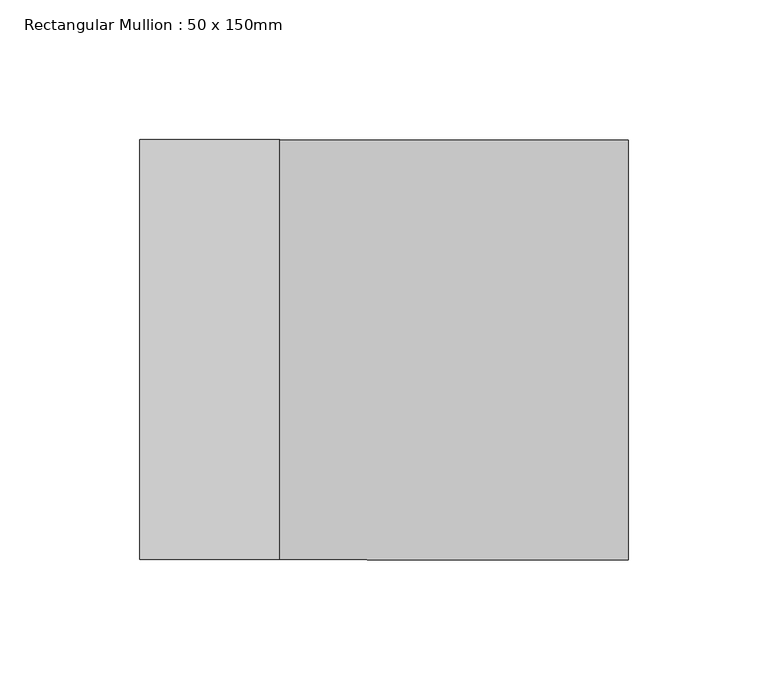
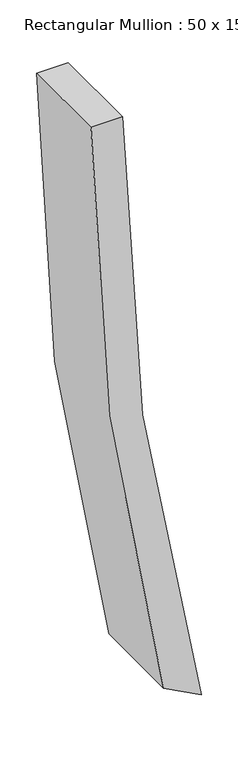
"""IFC4 building model written with IfcOpenShell, lengths in millimetres: member geometry, Rectangular Mullion : 50 x 150mm."""

from ifc_helpers import new_model, si_unit, point, frame, frame_2d, origin, place, context, project, spatial, polyline, circle_curve, trimmed, segment, composite_curve, outline, extrude, source, transform, mapped, element, save


def rectangular_mullion_50_x_150mm_06eb6984(model_context):
    return source(origin(), model_context, "Body", "SweptSolid", [
        extrude(outline(composite_curve([segment(trimmed(circle_curve(frame_2d((0.0, 4163.3746925)), 4163.3746925), [point((-1009.7435143, 124.3021671))], [point((0.0, 0.0))], True, "CARTESIAN"), True, "CONTINUOUS"), segment(polyline([(0.0, 0.0), (0.0, -50.0)]), True, "CONTINUOUS"), segment(trimmed(circle_curve(frame_2d((0.0, 4163.3746925)), 4213.3746925), [point((0.0, -50.0))], [point((-977.3116276, 64.9129955))], False, "CARTESIAN"), True, "CONTINUOUS"), segment(polyline([(-977.3116276, 64.9129955), (-1009.7435143, 124.3021671)]), True, "CONTINUOUS")], self_intersect=False)), frame((0.0, -75.0, 0.0), z_axis=(0.0, 1.0, 0.0), x_axis=(0.0, 0.0, 1.0)), (0.0, 0.0, 1.0), 150.0),
    ])


if __name__ == "__main__":
    model = new_model("IFC4")
    model_context = context("Model", 3, world=origin())
    ifc_project = project(units=[si_unit("LENGTHUNIT", "METRE", prefix="MILLI")], contexts=[model_context])
    site = spatial("IfcSite", under=ifc_project)
    building = spatial("IfcBuilding", under=site)
    placement = place(None, origin())
    rectangular_mullion_50_x_150mm_shape = rectangular_mullion_50_x_150mm_06eb6984(model_context)
    element("IfcMember", 1, ObjectType="Rectangular Mullion : 50 x 150mm", at=placement, inside=building, context=model_context, shape_type="MappedRepresentation", body=[
        mapped(rectangular_mullion_50_x_150mm_shape, transform((0.0, 0.0, 0.0), x_axis=(1.0, 0.0, 0.0), y_axis=(0.0, 1.0, 0.0), z_axis=(0.0, 0.0, 1.0))),
    ])
    save(model, "model.ifc")
